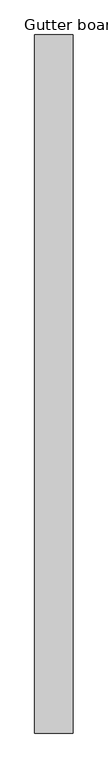
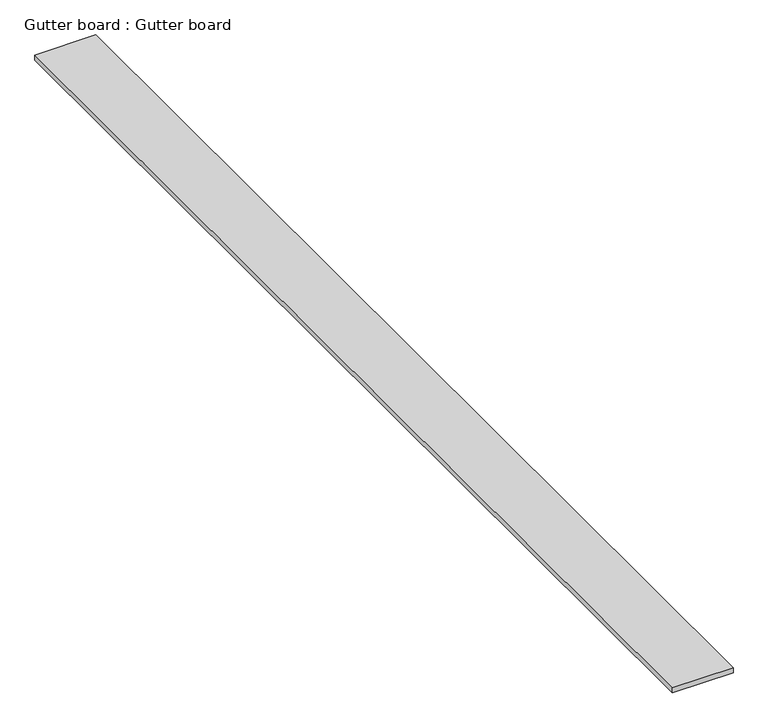
"""IFC4 building model written with IfcOpenShell, lengths in millimetres: proxy geometry, Gutter board : Gutter board."""

from ifc_helpers import new_model, si_unit, frame, origin, place, context, project, spatial, polyline, outline, extrude, source, transform, mapped, element, save


def gutter_board_gutter_board_70dd8e2a(model_context):
    return source(origin(), model_context, "Body", "SweptSolid", [
        extrude(outline(polyline([(-11584.1372223, -1297.2639474), (-11754.1372223, -1297.2639474), (-11754.1372223, 1792.7360526), (-11584.1372223, 1792.7360526), (-11584.1372223, -1297.2639474)])), frame((0.0, 0.0, 3784.2452806), z_axis=(0.0, 0.0, 1.0), x_axis=(1.0, 0.0, 0.0)), (0.0, 0.0, 1.0), 15.0),
    ])


if __name__ == "__main__":
    model = new_model("IFC4")
    model_context = context("Model", 3, world=origin())
    ifc_project = project(units=[si_unit("LENGTHUNIT", "METRE", prefix="MILLI")], contexts=[model_context])
    site = spatial("IfcSite", under=ifc_project)
    building = spatial("IfcBuilding", under=site)
    placement = place(None, origin())
    gutter_board_gutter_board_shape = gutter_board_gutter_board_70dd8e2a(model_context)
    element("IfcBuildingElementProxy", 1, Name="Gutter board : Gutter board", ObjectType="Gutter board : Gutter board", at=placement, inside=building, context=model_context, shape_type="MappedRepresentation", body=[
        mapped(gutter_board_gutter_board_shape, transform((0.0, 0.0, 0.0), x_axis=(1.0, 0.0, 0.0), y_axis=(0.0, 1.0, 0.0), z_axis=(0.0, 0.0, 1.0))),
    ])
    save(model, "model.ifc")
